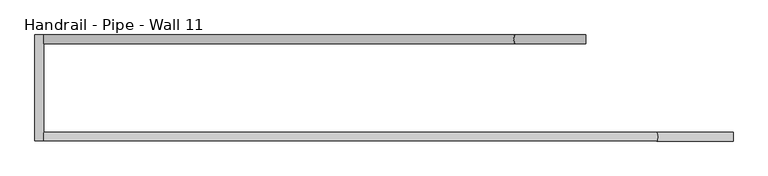
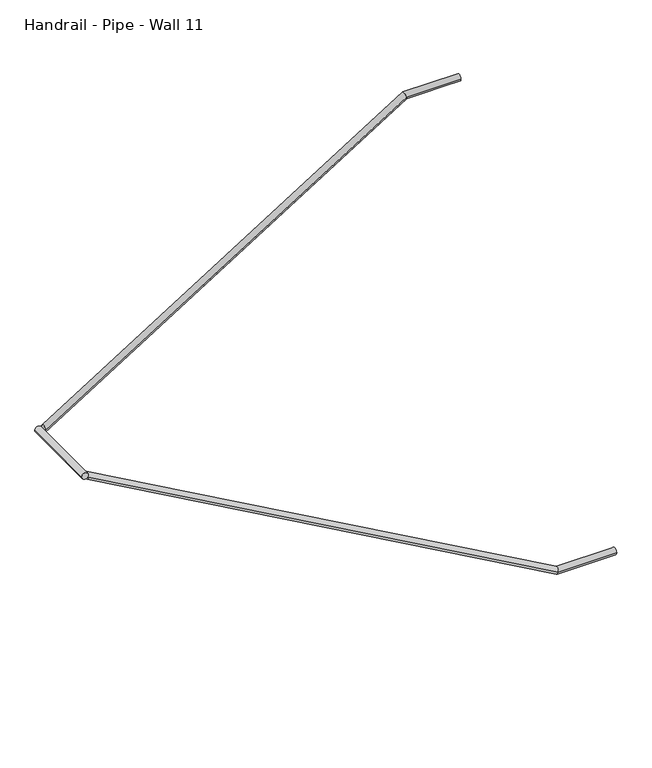
"""IFC4 building model written with IfcOpenShell, lengths in millimetres: railing geometry, Handrail - Pipe - Wall 11."""

from ifc_helpers import new_model, si_unit, frame, origin, place, context, project, spatial, circle_curve, ellipse_curve, source, transform, mapped, element, save
from ifc_brep_helpers import plane_surface, cylinder_surface, advanced_brep


def handrail_pipe_wall_11_849d356d(model_context):
    return source(origin(), model_context, "Body", "AdvancedBrep", [
        advanced_brep(
        [(-21468.5578048, 24433.5164928, -13157.2), (-21468.5578048, 24471.6164928, -13157.2), (-24503.9724808, 24433.5164928, -11634.0674321), (-24503.9724808, 24471.6164928, -11634.0674321), (-21803.7601742, 24433.5164928, -13157.2), (-21803.7601742, 24471.6164928, -13157.2)],
        [
            (0, 1, circle_curve(frame((-21468.5578048, 24452.5664928, -13157.2), z_axis=(1.0, 0.0, 0.0), x_axis=(0.0, 1.0, 0.0)), 19.05)),
            (1, 0, circle_curve(frame((-21468.5578048, 24452.5664928, -13157.2), z_axis=(1.0, 0.0, 0.0), x_axis=(0.0, 1.0, 0.0)), 19.05)),
            (2, 3, ellipse_curve(frame((-24503.9724808, 24452.5664928, -11634.0674321), z_axis=(-1.0, 0.0, 0.0), x_axis=(0.0, 0.0, -1.0)), 21.8717306, 19.05)),
            (3, 2, ellipse_curve(frame((-24503.9724808, 24452.5664928, -11634.0674321), z_axis=(-1.0, 0.0, 0.0), x_axis=(0.0, 0.0, -1.0)), 21.8717306, 19.05)),
            (0, 4),
            (4, 5, ellipse_curve(frame((-21803.7601742, 24452.5664928, -13157.2), z_axis=(0.9672092116159526, 0.0, -0.2539809854403422), x_axis=(0.2539809854403422, 0.0, 0.9672092116159525)), 19.6958422, 19.05)),
            (5, 1),
            (5, 4, ellipse_curve(frame((-21803.7601742, 24452.5664928, -13157.2), z_axis=(0.9672092116159526, 0.0, -0.2539809854403422), x_axis=(0.2539809854403422, 0.0, 0.9672092116159525)), 19.6958422, 19.05)),
            (4, 2),
            (3, 5),
        ],
        [
            plane_surface(frame((-21468.5578048, 24452.5664928, -13138.15), z_axis=(1.0, 0.0, 0.0), x_axis=(0.0, -1.0, 0.0))),
            plane_surface(frame((-24503.9724808, 24452.5664928, -11612.1957015), z_axis=(-1.0, 0.0, 0.0), x_axis=(0.0, -1.0, 0.0))),
            cylinder_surface(frame((-21468.5578048, 24452.5664928, -13157.2), z_axis=(1.0, 0.0, 0.0), x_axis=(0.0, 1.0, 0.0)), 19.05),
            cylinder_surface(frame((-21808.1171745, 24452.5664928, -13154.7423084), z_axis=(0.8709873180695054, 0.0, -0.4913054973863923), x_axis=(0.0, 1.0, 0.0)), 19.05),
        ],
        [
            (0, [[1, 2]]),
            (1, [[3, 4]]),
            (2, [[-1, 5, 6, 7]]),
            (2, [[-2, -7, 8, -5]]),
            (3, [[-6, 9, -4, 10]]),
            (3, [[-8, -10, -3, -9]]),
        ],
    ),
        advanced_brep(
        [(-24542.0724808, 24433.5164928, -11620.5), (-24503.9724808, 24433.5164928, -11620.5), (-24542.0724808, 24900.2414928, -11620.5), (-24503.9724808, 24900.2414928, -11620.5)],
        [
            (0, 1, circle_curve(frame((-24523.0224808, 24433.5164928, -11620.5), z_axis=(0.0, -1.0, 0.0), x_axis=(1.0, 0.0, 0.0)), 19.05)),
            (1, 0, circle_curve(frame((-24523.0224808, 24433.5164928, -11620.5), z_axis=(0.0, -1.0, 0.0), x_axis=(1.0, 0.0, 0.0)), 19.05)),
            (2, 3, circle_curve(frame((-24523.0224808, 24900.2414928, -11620.5), z_axis=(0.0, 1.0, 0.0), x_axis=(1.0, 0.0, 0.0)), 19.05)),
            (3, 2, circle_curve(frame((-24523.0224808, 24900.2414928, -11620.5), z_axis=(0.0, 1.0, 0.0), x_axis=(1.0, 0.0, 0.0)), 19.05)),
            (0, 2),
            (3, 1),
        ],
        [
            plane_surface(frame((-24523.0224808, 24433.5164928, -11601.45), z_axis=(0.0, -1.0, 0.0), x_axis=(0.0, 0.0, 1.0))),
            plane_surface(frame((-24523.0224808, 24900.2414928, -11601.45), z_axis=(0.0, 1.0, 0.0), x_axis=(0.0, 0.0, 1.0))),
            cylinder_surface(frame((-24523.0224808, 24433.5164928, -11620.5), z_axis=(0.0, -1.0, 0.0), x_axis=(1.0, 0.0, 0.0)), 19.05),
        ],
        [
            (0, [[1, 2]]),
            (1, [[3, 4]]),
            (2, [[-1, 5, -4, 6]]),
            (2, [[-2, -6, -3, -5]]),
        ],
    ),
        advanced_brep(
        [(-24503.9724808, 24900.2414928, -11611.998527), (-24503.9724808, 24862.1414928, -11611.998527), (-22428.2861453, 24900.2414928, -10312.4), (-22428.2861453, 24862.1414928, -10312.4), (-22116.2578048, 24900.2414928, -10312.4), (-22116.2578048, 24862.1414928, -10312.4)],
        [
            (0, 1, ellipse_curve(frame((-24503.9724808, 24881.1914928, -11611.998527), z_axis=(-1.0, 0.0, 0.0), x_axis=(0.0, 0.0, -1.0)), 22.4758358, 19.05)),
            (1, 0, ellipse_curve(frame((-24503.9724808, 24881.1914928, -11611.998527), z_axis=(-1.0, 0.0, 0.0), x_axis=(0.0, 0.0, -1.0)), 22.4758358, 19.05)),
            (0, 2),
            (2, 3, ellipse_curve(frame((-22428.2861453, 24881.1914928, -10312.4), z_axis=(-0.9611391505615763, 0.0, -0.2760643643387748), x_axis=(0.2760643643387756, 0.0, -0.961139150561576)), 19.820231, 19.05)),
            (3, 1),
            (3, 2, ellipse_curve(frame((-22428.2861453, 24881.1914928, -10312.4), z_axis=(-0.9611391505615763, 0.0, -0.2760643643387748), x_axis=(0.2760643643387756, 0.0, -0.961139150561576)), 19.820231, 19.05)),
            (4, 5, circle_curve(frame((-22116.2578048, 24881.1914928, -10312.4), z_axis=(1.0, 0.0, 0.0), x_axis=(0.0, -1.0, 0.0)), 19.05)),
            (5, 4, circle_curve(frame((-22116.2578048, 24881.1914928, -10312.4), z_axis=(1.0, 0.0, 0.0), x_axis=(0.0, -1.0, 0.0)), 19.05)),
            (2, 4),
            (5, 3),
        ],
        [
            plane_surface(frame((-24503.9724808, 24881.1914928, -11589.5226912), z_axis=(-1.0, 0.0, 0.0), x_axis=(0.0, 1.0, 0.0))),
            cylinder_surface(frame((-24493.863169, 24881.1914928, -11605.6690318), z_axis=(-0.8475769334844566, 0.0, -0.5306725372817829), x_axis=(0.0, -1.0, 0.0)), 19.05),
            plane_surface(frame((-22116.2578048, 24881.1914928, -10293.35), z_axis=(1.0, 0.0, 0.0), x_axis=(0.0, 1.0, 0.0))),
            cylinder_surface(frame((-22433.7578048, 24881.1914928, -10312.4), z_axis=(-1.0, 0.0, 0.0), x_axis=(0.0, -1.0, 0.0)), 19.05),
        ],
        [
            (0, [[1, 2]]),
            (1, [[-1, 3, 4, 5]]),
            (1, [[-2, -5, 6, -3]]),
            (2, [[7, 8]]),
            (3, [[-4, 9, -8, 10]]),
            (3, [[-6, -10, -7, -9]]),
        ],
    ),
    ])


if __name__ == "__main__":
    model = new_model("IFC4")
    model_context = context("Model", 3, world=origin())
    ifc_project = project(units=[si_unit("LENGTHUNIT", "METRE", prefix="MILLI")], contexts=[model_context])
    site = spatial("IfcSite", under=ifc_project)
    building = spatial("IfcBuilding", under=site)
    placement = place(None, origin())
    handrail_pipe_wall_11_shape = handrail_pipe_wall_11_849d356d(model_context)
    element("IfcRailing", 1, ObjectType="Handrail - Pipe - Wall 11", at=placement, inside=building, context=model_context, shape_type="MappedRepresentation", body=[
        mapped(handrail_pipe_wall_11_shape, transform((0.0, 0.0, 0.0), x_axis=(1.0, 0.0, 0.0), y_axis=(0.0, 1.0, 0.0), z_axis=(0.0, 0.0, 1.0))),
    ])
    save(model, "model.ifc")
